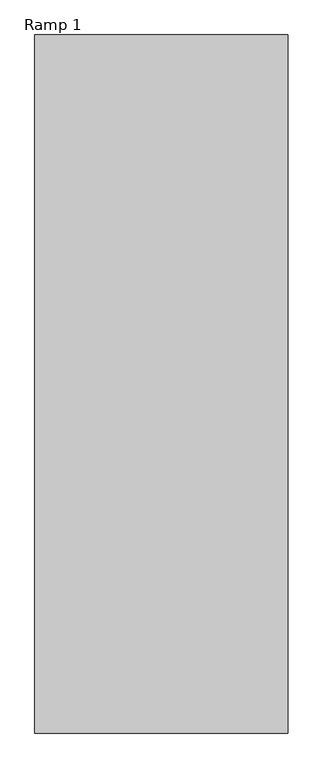
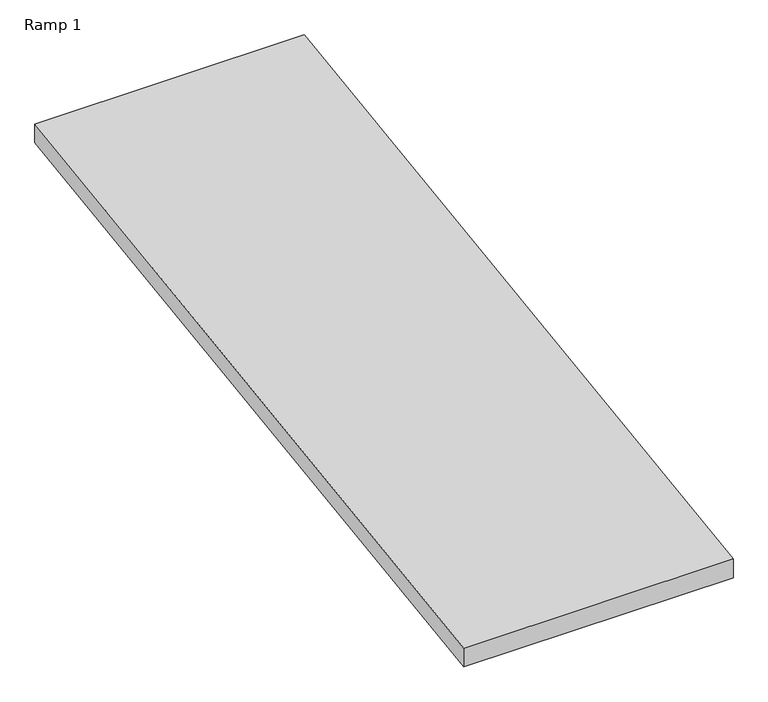
"""IFC4 building model written with IfcOpenShell, lengths in millimetres: ramp geometry, Ramp 1."""

from ifc_helpers import new_model, si_unit, frame, origin, place, context, project, spatial, polyline, outline, extrude, source, transform, mapped, element, save


def ramp_1_d4167d88(model_context):
    return source(origin(), model_context, "Body", "SweptSolid", [
        extrude(outline(polyline([(-2312.799714, -2000.0), (3387.200286, -1200.0), (3387.200286, -1351.470173), (-2312.799714, -2151.470173), (-2312.799714, -2000.0)])), frame((-4415.4557082, 0.0, 0.0), z_axis=(1.0, 0.0, 0.0), x_axis=(0.0, 1.0, 0.0)), (0.0, 0.0, 1.0), 2067.8185601),
    ])


if __name__ == "__main__":
    model = new_model("IFC4")
    model_context = context("Model", 3, world=origin())
    ifc_project = project(units=[si_unit("LENGTHUNIT", "METRE", prefix="MILLI")], contexts=[model_context])
    site = spatial("IfcSite", under=ifc_project)
    building = spatial("IfcBuilding", under=site)
    placement = place(None, origin())
    ramp_1_shape = ramp_1_d4167d88(model_context)
    element("IfcRamp", 1, ObjectType="Ramp 1", at=placement, inside=building, context=model_context, shape_type="MappedRepresentation", body=[
        mapped(ramp_1_shape, transform((0.0, 0.0, 0.0), x_axis=(1.0, 0.0, 0.0), y_axis=(0.0, 1.0, 0.0), z_axis=(0.0, 0.0, 1.0))),
    ])
    save(model, "model.ifc")
